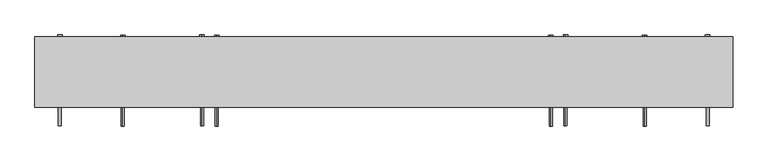
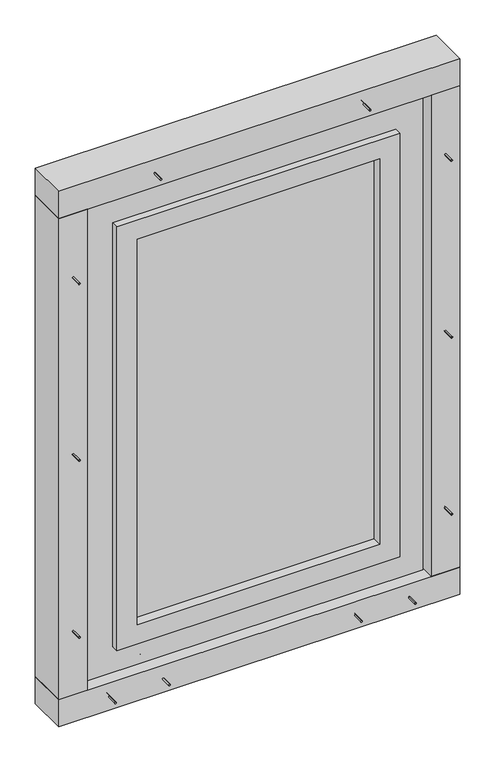
"""IFC4 building model written with IfcOpenShell, lengths in millimetres: proxy geometry."""

from ifc_helpers import new_model, si_unit, point, frame, frame_2d, origin, origin_with_axes, place, context, project, spatial, polyline, circle_curve, trimmed, segment, composite_curve, outline, extrude, source, transform, mapped, element, save


def generic_models_50d40aec(model_context):
    return source(origin(), model_context, "Body", "SweptSolid", [
        extrude(outline(polyline([(-235.0, -25.0), (-235.0, -15.0), (485.0, -15.0), (485.0, -25.0), (-235.0, -25.0)])), frame((0.0, 0.0, 235.0), z_axis=(0.0, 0.0, 1.0), x_axis=(1.0, 0.0, 0.0)), (0.0, 0.0, 1.0), 1210.0),
        extrude(outline(polyline([(175.0, 545.0), (1505.0, 545.0), (1505.0, -295.0), (175.0, -295.0), (175.0, 545.0)]), holes=[polyline([(1445.0, 485.0), (235.0, 485.0), (235.0, -235.0), (1445.0, -235.0), (1445.0, 485.0)])]), frame((0.0, -55.0, 0.0), z_axis=(0.0, 1.0, 0.0), x_axis=(0.0, 0.0, 1.0)), (0.0, 0.0, 1.0), 70.0),
        extrude(outline(polyline([(95.0, 625.0), (1585.0, 625.0), (1585.0, -375.0), (95.0, -375.0), (95.0, 625.0)]), holes=[polyline([(1505.0, 545.0), (175.0, 545.0), (175.0, -295.0), (1505.0, -295.0), (1505.0, 545.0)])]), frame((0.0, -35.0, 0.0), z_axis=(0.0, 1.0, 0.0), x_axis=(0.0, 0.0, 1.0)), (0.0, 0.0, 1.0), 70.0),
        extrude(outline(composite_curve([segment(trimmed(circle_curve(frame_2d((-145.0, 0.0)), 2.4700592), [point((-145.0, -2.4700592))], [point((-145.0, 2.4700592))], False, "CARTESIAN"), True, "CONTINUOUS"), segment(trimmed(circle_curve(frame_2d((-145.0, 0.0)), 2.4700592), [point((-145.0, 2.4700592))], [point((-145.0, -2.4700592))], False, "CARTESIAN"), True, "CONTINUOUS")], self_intersect=False)), frame((0.0, 0.0, 25.0), z_axis=(0.0, 0.0, 1.0), x_axis=(1.0, 0.0, 0.0)), (0.0, 0.0, 1.0), 150.0),
        extrude(outline(composite_curve([segment(trimmed(circle_curve(frame_2d((-145.0, 0.0)), 3.8), [point((-145.0, -3.8))], [point((-145.0, 3.8))], False, "CARTESIAN"), True, "CONTINUOUS"), segment(trimmed(circle_curve(frame_2d((-145.0, 0.0)), 3.8), [point((-145.0, 3.8))], [point((-145.0, -3.8))], False, "CARTESIAN"), True, "CONTINUOUS")], self_intersect=False)), frame((0.0, 0.0, 175.0), z_axis=(0.0, 0.0, 1.0), x_axis=(1.0, 0.0, 0.0)), (0.0, 0.0, 1.0), 3.0),
        extrude(outline(composite_curve([segment(trimmed(circle_curve(frame_2d((42.5, -160.0)), 2.4700592), [point((44.9700592, -160.0))], [point((40.0299408, -160.0))], False, "CARTESIAN"), True, "CONTINUOUS"), segment(trimmed(circle_curve(frame_2d((42.5, -160.0)), 2.4700592), [point((40.0299408, -160.0))], [point((44.9700592, -160.0))], False, "CARTESIAN"), True, "CONTINUOUS")], self_intersect=False)), frame((0.0, -92.0, 0.0), z_axis=(0.0, 1.0, 0.0), x_axis=(0.0, 0.0, 1.0)), (0.0, 0.0, 1.0), 152.0),
        extrude(outline(composite_curve([segment(trimmed(circle_curve(frame_2d((42.5, -160.0)), 3.8), [point((46.3, -160.0))], [point((38.7, -160.0))], False, "CARTESIAN"), True, "CONTINUOUS"), segment(trimmed(circle_curve(frame_2d((42.5, -160.0)), 3.8), [point((38.7, -160.0))], [point((46.3, -160.0))], False, "CARTESIAN"), True, "CONTINUOUS")], self_intersect=False)), frame((0.0, 60.0, 0.0), z_axis=(0.0, 1.0, 0.0), x_axis=(0.0, 0.0, 1.0)), (0.0, 0.0, 1.0), 3.0),
        extrude(outline(composite_curve([segment(trimmed(circle_curve(frame_2d((-175.0, 0.0)), 2.4700592), [point((-175.0, -2.4700592))], [point((-175.0, 2.4700592))], False, "CARTESIAN"), True, "CONTINUOUS"), segment(trimmed(circle_curve(frame_2d((-175.0, 0.0)), 2.4700592), [point((-175.0, 2.4700592))], [point((-175.0, -2.4700592))], False, "CARTESIAN"), True, "CONTINUOUS")], self_intersect=False)), frame((0.0, 0.0, 25.0), z_axis=(0.0, 0.0, 1.0), x_axis=(1.0, 0.0, 0.0)), (0.0, 0.0, 1.0), 150.0),
        extrude(outline(composite_curve([segment(trimmed(circle_curve(frame_2d((-175.0, 0.0)), 3.8), [point((-175.0, -3.8))], [point((-175.0, 3.8))], False, "CARTESIAN"), True, "CONTINUOUS"), segment(trimmed(circle_curve(frame_2d((-175.0, 0.0)), 3.8), [point((-175.0, 3.8))], [point((-175.0, -3.8))], False, "CARTESIAN"), True, "CONTINUOUS")], self_intersect=False)), frame((0.0, 0.0, 175.0), z_axis=(0.0, 0.0, 1.0), x_axis=(1.0, 0.0, 0.0)), (0.0, 0.0, 1.0), 3.0),
        extrude(outline(composite_curve([segment(trimmed(circle_curve(frame_2d((395.0, 0.0)), 2.4700592), [point((395.0, -2.4700592))], [point((395.0, 2.4700592))], False, "CARTESIAN"), True, "CONTINUOUS"), segment(trimmed(circle_curve(frame_2d((395.0, 0.0)), 2.4700592), [point((395.0, 2.4700592))], [point((395.0, -2.4700592))], False, "CARTESIAN"), True, "CONTINUOUS")], self_intersect=False)), frame((0.0, 0.0, 25.0), z_axis=(0.0, 0.0, 1.0), x_axis=(1.0, 0.0, 0.0)), (0.0, 0.0, 1.0), 150.0),
        extrude(outline(composite_curve([segment(trimmed(circle_curve(frame_2d((395.0, 0.0)), 3.8), [point((395.0, -3.8))], [point((395.0, 3.8))], False, "CARTESIAN"), True, "CONTINUOUS"), segment(trimmed(circle_curve(frame_2d((395.0, 0.0)), 3.8), [point((395.0, 3.8))], [point((395.0, -3.8))], False, "CARTESIAN"), True, "CONTINUOUS")], self_intersect=False)), frame((0.0, 0.0, 175.0), z_axis=(0.0, 0.0, 1.0), x_axis=(1.0, 0.0, 0.0)), (0.0, 0.0, 1.0), 3.0),
        extrude(outline(composite_curve([segment(trimmed(circle_curve(frame_2d((42.5, 410.0)), 2.4700592), [point((44.9700592, 410.0))], [point((40.0299408, 410.0))], False, "CARTESIAN"), True, "CONTINUOUS"), segment(trimmed(circle_curve(frame_2d((42.5, 410.0)), 2.4700592), [point((40.0299408, 410.0))], [point((44.9700592, 410.0))], False, "CARTESIAN"), True, "CONTINUOUS")], self_intersect=False)), frame((0.0, -92.0, 0.0), z_axis=(0.0, 1.0, 0.0), x_axis=(0.0, 0.0, 1.0)), (0.0, 0.0, 1.0), 152.0),
        extrude(outline(composite_curve([segment(trimmed(circle_curve(frame_2d((42.5, 410.0)), 3.8), [point((46.3, 410.0))], [point((38.7, 410.0))], False, "CARTESIAN"), True, "CONTINUOUS"), segment(trimmed(circle_curve(frame_2d((42.5, 410.0)), 3.8), [point((38.7, 410.0))], [point((46.3, 410.0))], False, "CARTESIAN"), True, "CONTINUOUS")], self_intersect=False)), frame((0.0, 60.0, 0.0), z_axis=(0.0, 1.0, 0.0), x_axis=(0.0, 0.0, 1.0)), (0.0, 0.0, 1.0), 3.0),
        extrude(outline(composite_curve([segment(trimmed(circle_curve(frame_2d((425.0, 0.0)), 2.4700592), [point((425.0, -2.4700592))], [point((425.0, 2.4700592))], False, "CARTESIAN"), True, "CONTINUOUS"), segment(trimmed(circle_curve(frame_2d((425.0, 0.0)), 2.4700592), [point((425.0, 2.4700592))], [point((425.0, -2.4700592))], False, "CARTESIAN"), True, "CONTINUOUS")], self_intersect=False)), frame((0.0, 0.0, 25.0), z_axis=(0.0, 0.0, 1.0), x_axis=(1.0, 0.0, 0.0)), (0.0, 0.0, 1.0), 150.0),
        extrude(outline(composite_curve([segment(trimmed(circle_curve(frame_2d((425.0, 0.0)), 3.8), [point((425.0, -3.8))], [point((425.0, 3.8))], False, "CARTESIAN"), True, "CONTINUOUS"), segment(trimmed(circle_curve(frame_2d((425.0, 0.0)), 3.8), [point((425.0, 3.8))], [point((425.0, -3.8))], False, "CARTESIAN"), True, "CONTINUOUS")], self_intersect=False)), frame((0.0, 0.0, 175.0), z_axis=(0.0, 0.0, 1.0), x_axis=(1.0, 0.0, 0.0)), (0.0, 0.0, 1.0), 3.0),
        extrude(outline(composite_curve([segment(trimmed(circle_curve(frame_2d((42.5, -320.0)), 2.4700592), [point((44.9700592, -320.0))], [point((40.0299408, -320.0))], False, "CARTESIAN"), True, "CONTINUOUS"), segment(trimmed(circle_curve(frame_2d((42.5, -320.0)), 2.4700592), [point((40.0299408, -320.0))], [point((44.9700592, -320.0))], False, "CARTESIAN"), True, "CONTINUOUS")], self_intersect=False)), frame((0.0, -92.0, 0.0), z_axis=(0.0, 1.0, 0.0), x_axis=(0.0, 0.0, 1.0)), (0.0, 0.0, 1.0), 152.0),
        extrude(outline(composite_curve([segment(trimmed(circle_curve(frame_2d((42.5, -320.0)), 3.8), [point((46.3, -320.0))], [point((38.7, -320.0))], False, "CARTESIAN"), True, "CONTINUOUS"), segment(trimmed(circle_curve(frame_2d((42.5, -320.0)), 3.8), [point((38.7, -320.0))], [point((46.3, -320.0))], False, "CARTESIAN"), True, "CONTINUOUS")], self_intersect=False)), frame((0.0, 60.0, 0.0), z_axis=(0.0, 1.0, 0.0), x_axis=(0.0, 0.0, 1.0)), (0.0, 0.0, 1.0), 3.0),
        extrude(outline(composite_curve([segment(trimmed(circle_curve(frame_2d((42.5, 570.0)), 2.4700592), [point((44.9700592, 570.0))], [point((40.0299408, 570.0))], False, "CARTESIAN"), True, "CONTINUOUS"), segment(trimmed(circle_curve(frame_2d((42.5, 570.0)), 2.4700592), [point((40.0299408, 570.0))], [point((44.9700592, 570.0))], False, "CARTESIAN"), True, "CONTINUOUS")], self_intersect=False)), frame((0.0, -92.0, 0.0), z_axis=(0.0, 1.0, 0.0), x_axis=(0.0, 0.0, 1.0)), (0.0, 0.0, 1.0), 152.0),
        extrude(outline(composite_curve([segment(trimmed(circle_curve(frame_2d((42.5, 570.0)), 3.8), [point((46.3, 570.0))], [point((38.7, 570.0))], False, "CARTESIAN"), True, "CONTINUOUS"), segment(trimmed(circle_curve(frame_2d((42.5, 570.0)), 3.8), [point((38.7, 570.0))], [point((46.3, 570.0))], False, "CARTESIAN"), True, "CONTINUOUS")], self_intersect=False)), frame((0.0, 60.0, 0.0), z_axis=(0.0, 1.0, 0.0), x_axis=(0.0, 0.0, 1.0)), (0.0, 0.0, 1.0), 3.0),
        extrude(outline(polyline([(720.0, -60.0), (-470.0, -60.0), (-470.0, 60.0), (720.0, 60.0), (720.0, -60.0)])), origin_with_axes(), (0.0, 0.0, 1.0), 85.0),
        extrude(outline(composite_curve([segment(trimmed(circle_curve(frame_2d((0.0, 825.0)), 2.4700592), [point((-2.4700592, 825.0))], [point((2.4700592, 825.0))], False, "CARTESIAN"), True, "CONTINUOUS"), segment(trimmed(circle_curve(frame_2d((0.0, 825.0)), 2.4700592), [point((2.4700592, 825.0))], [point((-2.4700592, 825.0))], False, "CARTESIAN"), True, "CONTINUOUS")], self_intersect=False)), frame((-445.0, 0.0, 0.0), z_axis=(1.0, 0.0, 0.0), x_axis=(0.0, 1.0, 0.0)), (0.0, 0.0, 1.0), 150.0),
        extrude(outline(composite_curve([segment(trimmed(circle_curve(frame_2d((0.0, 825.0)), 3.8), [point((-3.8, 825.0))], [point((3.8, 825.0))], False, "CARTESIAN"), True, "CONTINUOUS"), segment(trimmed(circle_curve(frame_2d((0.0, 825.0)), 3.8), [point((3.8, 825.0))], [point((-3.8, 825.0))], False, "CARTESIAN"), True, "CONTINUOUS")], self_intersect=False)), frame((-295.0, 0.0, 0.0), z_axis=(1.0, 0.0, 0.0), x_axis=(0.0, 1.0, 0.0)), (0.0, 0.0, 1.0), 3.0),
        extrude(outline(composite_curve([segment(trimmed(circle_curve(frame_2d((0.0, 1355.0)), 2.4700592), [point((-2.4700592, 1355.0))], [point((2.4700592, 1355.0))], False, "CARTESIAN"), True, "CONTINUOUS"), segment(trimmed(circle_curve(frame_2d((0.0, 1355.0)), 2.4700592), [point((2.4700592, 1355.0))], [point((-2.4700592, 1355.0))], False, "CARTESIAN"), True, "CONTINUOUS")], self_intersect=False)), frame((-445.0, 0.0, 0.0), z_axis=(1.0, 0.0, 0.0), x_axis=(0.0, 1.0, 0.0)), (0.0, 0.0, 1.0), 150.0),
        extrude(outline(composite_curve([segment(trimmed(circle_curve(frame_2d((0.0, 1355.0)), 3.8), [point((-3.8, 1355.0))], [point((3.8, 1355.0))], False, "CARTESIAN"), True, "CONTINUOUS"), segment(trimmed(circle_curve(frame_2d((0.0, 1355.0)), 3.8), [point((3.8, 1355.0))], [point((-3.8, 1355.0))], False, "CARTESIAN"), True, "CONTINUOUS")], self_intersect=False)), frame((-295.0, 0.0, 0.0), z_axis=(1.0, 0.0, 0.0), x_axis=(0.0, 1.0, 0.0)), (0.0, 0.0, 1.0), 3.0),
        extrude(outline(composite_curve([segment(trimmed(circle_curve(frame_2d((840.0, -427.5)), 2.4700592), [point((840.0, -429.9700592))], [point((840.0, -425.0299408))], False, "CARTESIAN"), True, "CONTINUOUS"), segment(trimmed(circle_curve(frame_2d((840.0, -427.5)), 2.4700592), [point((840.0, -425.0299408))], [point((840.0, -429.9700592))], False, "CARTESIAN"), True, "CONTINUOUS")], self_intersect=False)), frame((0.0, -92.0, 0.0), z_axis=(0.0, 1.0, 0.0), x_axis=(0.0, 0.0, 1.0)), (0.0, 0.0, 1.0), 152.0),
        extrude(outline(composite_curve([segment(trimmed(circle_curve(frame_2d((840.0, -427.5)), 3.8), [point((840.0, -431.3))], [point((840.0, -423.7))], False, "CARTESIAN"), True, "CONTINUOUS"), segment(trimmed(circle_curve(frame_2d((840.0, -427.5)), 3.8), [point((840.0, -423.7))], [point((840.0, -431.3))], False, "CARTESIAN"), True, "CONTINUOUS")], self_intersect=False)), frame((0.0, 60.0, 0.0), z_axis=(0.0, 1.0, 0.0), x_axis=(0.0, 0.0, 1.0)), (0.0, 0.0, 1.0), 3.0),
        extrude(outline(composite_curve([segment(trimmed(circle_curve(frame_2d((0.0, 325.0)), 2.4700592), [point((-2.4700592, 325.0))], [point((2.4700592, 325.0))], False, "CARTESIAN"), True, "CONTINUOUS"), segment(trimmed(circle_curve(frame_2d((0.0, 325.0)), 2.4700592), [point((2.4700592, 325.0))], [point((-2.4700592, 325.0))], False, "CARTESIAN"), True, "CONTINUOUS")], self_intersect=False)), frame((-445.0, 0.0, 0.0), z_axis=(1.0, 0.0, 0.0), x_axis=(0.0, 1.0, 0.0)), (0.0, 0.0, 1.0), 150.0),
        extrude(outline(composite_curve([segment(trimmed(circle_curve(frame_2d((0.0, 325.0)), 3.8), [point((-3.8, 325.0))], [point((3.8, 325.0))], False, "CARTESIAN"), True, "CONTINUOUS"), segment(trimmed(circle_curve(frame_2d((0.0, 325.0)), 3.8), [point((3.8, 325.0))], [point((-3.8, 325.0))], False, "CARTESIAN"), True, "CONTINUOUS")], self_intersect=False)), frame((-295.0, 0.0, 0.0), z_axis=(1.0, 0.0, 0.0), x_axis=(0.0, 1.0, 0.0)), (0.0, 0.0, 1.0), 3.0),
        extrude(outline(composite_curve([segment(trimmed(circle_curve(frame_2d((0.0, 295.0)), 2.4700592), [point((-2.4700592, 295.0))], [point((2.4700592, 295.0))], False, "CARTESIAN"), True, "CONTINUOUS"), segment(trimmed(circle_curve(frame_2d((0.0, 295.0)), 2.4700592), [point((2.4700592, 295.0))], [point((-2.4700592, 295.0))], False, "CARTESIAN"), True, "CONTINUOUS")], self_intersect=False)), frame((-445.0, 0.0, 0.0), z_axis=(1.0, 0.0, 0.0), x_axis=(0.0, 1.0, 0.0)), (0.0, 0.0, 1.0), 150.0),
        extrude(outline(composite_curve([segment(trimmed(circle_curve(frame_2d((0.0, 295.0)), 3.8), [point((-3.8, 295.0))], [point((3.8, 295.0))], False, "CARTESIAN"), True, "CONTINUOUS"), segment(trimmed(circle_curve(frame_2d((0.0, 295.0)), 3.8), [point((3.8, 295.0))], [point((-3.8, 295.0))], False, "CARTESIAN"), True, "CONTINUOUS")], self_intersect=False)), frame((-295.0, 0.0, 0.0), z_axis=(1.0, 0.0, 0.0), x_axis=(0.0, 1.0, 0.0)), (0.0, 0.0, 1.0), 3.0),
        extrude(outline(composite_curve([segment(trimmed(circle_curve(frame_2d((0.0, 1385.0)), 2.4700592), [point((-2.4700592, 1385.0))], [point((2.4700592, 1385.0))], False, "CARTESIAN"), True, "CONTINUOUS"), segment(trimmed(circle_curve(frame_2d((0.0, 1385.0)), 2.4700592), [point((2.4700592, 1385.0))], [point((-2.4700592, 1385.0))], False, "CARTESIAN"), True, "CONTINUOUS")], self_intersect=False)), frame((-445.0, 0.0, 0.0), z_axis=(1.0, 0.0, 0.0), x_axis=(0.0, 1.0, 0.0)), (0.0, 0.0, 1.0), 150.0),
        extrude(outline(composite_curve([segment(trimmed(circle_curve(frame_2d((0.0, 1385.0)), 3.8), [point((-3.8, 1385.0))], [point((3.8, 1385.0))], False, "CARTESIAN"), True, "CONTINUOUS"), segment(trimmed(circle_curve(frame_2d((0.0, 1385.0)), 3.8), [point((3.8, 1385.0))], [point((-3.8, 1385.0))], False, "CARTESIAN"), True, "CONTINUOUS")], self_intersect=False)), frame((-295.0, 0.0, 0.0), z_axis=(1.0, 0.0, 0.0), x_axis=(0.0, 1.0, 0.0)), (0.0, 0.0, 1.0), 3.0),
        extrude(outline(composite_curve([segment(trimmed(circle_curve(frame_2d((0.0, 855.0)), 2.4700592), [point((-2.4700592, 855.0))], [point((2.4700592, 855.0))], False, "CARTESIAN"), True, "CONTINUOUS"), segment(trimmed(circle_curve(frame_2d((0.0, 855.0)), 2.4700592), [point((2.4700592, 855.0))], [point((-2.4700592, 855.0))], False, "CARTESIAN"), True, "CONTINUOUS")], self_intersect=False)), frame((-445.0, 0.0, 0.0), z_axis=(1.0, 0.0, 0.0), x_axis=(0.0, 1.0, 0.0)), (0.0, 0.0, 1.0), 150.0),
        extrude(outline(composite_curve([segment(trimmed(circle_curve(frame_2d((0.0, 855.0)), 3.8), [point((-3.8, 855.0))], [point((3.8, 855.0))], False, "CARTESIAN"), True, "CONTINUOUS"), segment(trimmed(circle_curve(frame_2d((0.0, 855.0)), 3.8), [point((3.8, 855.0))], [point((-3.8, 855.0))], False, "CARTESIAN"), True, "CONTINUOUS")], self_intersect=False)), frame((-295.0, 0.0, 0.0), z_axis=(1.0, 0.0, 0.0), x_axis=(0.0, 1.0, 0.0)), (0.0, 0.0, 1.0), 3.0),
        extrude(outline(composite_curve([segment(trimmed(circle_curve(frame_2d((1395.0, -427.5)), 2.4700592), [point((1395.0, -429.9700592))], [point((1395.0, -425.0299408))], False, "CARTESIAN"), True, "CONTINUOUS"), segment(trimmed(circle_curve(frame_2d((1395.0, -427.5)), 2.4700592), [point((1395.0, -425.0299408))], [point((1395.0, -429.9700592))], False, "CARTESIAN"), True, "CONTINUOUS")], self_intersect=False)), frame((0.0, -92.0, 0.0), z_axis=(0.0, 1.0, 0.0), x_axis=(0.0, 0.0, 1.0)), (0.0, 0.0, 1.0), 152.0),
        extrude(outline(composite_curve([segment(trimmed(circle_curve(frame_2d((1395.0, -427.5)), 3.8), [point((1395.0, -431.3))], [point((1395.0, -423.7))], False, "CARTESIAN"), True, "CONTINUOUS"), segment(trimmed(circle_curve(frame_2d((1395.0, -427.5)), 3.8), [point((1395.0, -423.7))], [point((1395.0, -431.3))], False, "CARTESIAN"), True, "CONTINUOUS")], self_intersect=False)), frame((0.0, 60.0, 0.0), z_axis=(0.0, 1.0, 0.0), x_axis=(0.0, 0.0, 1.0)), (0.0, 0.0, 1.0), 3.0),
        extrude(outline(composite_curve([segment(trimmed(circle_curve(frame_2d((285.0, -427.5)), 2.4700592), [point((285.0, -429.9700592))], [point((285.0, -425.0299408))], False, "CARTESIAN"), True, "CONTINUOUS"), segment(trimmed(circle_curve(frame_2d((285.0, -427.5)), 2.4700592), [point((285.0, -425.0299408))], [point((285.0, -429.9700592))], False, "CARTESIAN"), True, "CONTINUOUS")], self_intersect=False)), frame((0.0, -92.0, 0.0), z_axis=(0.0, 1.0, 0.0), x_axis=(0.0, 0.0, 1.0)), (0.0, 0.0, 1.0), 152.0),
        extrude(outline(composite_curve([segment(trimmed(circle_curve(frame_2d((285.0, -427.5)), 3.8), [point((285.0, -431.3))], [point((285.0, -423.7))], False, "CARTESIAN"), True, "CONTINUOUS"), segment(trimmed(circle_curve(frame_2d((285.0, -427.5)), 3.8), [point((285.0, -423.7))], [point((285.0, -431.3))], False, "CARTESIAN"), True, "CONTINUOUS")], self_intersect=False)), frame((0.0, 60.0, 0.0), z_axis=(0.0, 1.0, 0.0), x_axis=(0.0, 0.0, 1.0)), (0.0, 0.0, 1.0), 3.0),
        extrude(outline(polyline([(-470.0, -60.0), (-470.0, 60.0), (-385.0, 60.0), (-385.0, -60.0), (-470.0, -60.0)])), frame((0.0, 0.0, 85.0), z_axis=(0.0, 0.0, 1.0), x_axis=(1.0, 0.0, 0.0)), (0.0, 0.0, 1.0), 1510.0),
        extrude(outline(composite_curve([segment(trimmed(circle_curve(frame_2d((0.0, 825.0)), 2.4700592), [point((-2.4700592, 825.0))], [point((2.4700592, 825.0))], False, "CARTESIAN"), True, "CONTINUOUS"), segment(trimmed(circle_curve(frame_2d((0.0, 825.0)), 2.4700592), [point((2.4700592, 825.0))], [point((-2.4700592, 825.0))], False, "CARTESIAN"), True, "CONTINUOUS")], self_intersect=False)), frame((545.0, 0.0, 0.0), z_axis=(1.0, 0.0, 0.0), x_axis=(0.0, 1.0, 0.0)), (0.0, 0.0, 1.0), 150.0),
        extrude(outline(composite_curve([segment(trimmed(circle_curve(frame_2d((0.0, 825.0)), 3.8), [point((-3.8, 825.0))], [point((3.8, 825.0))], False, "CARTESIAN"), True, "CONTINUOUS"), segment(trimmed(circle_curve(frame_2d((0.0, 825.0)), 3.8), [point((3.8, 825.0))], [point((-3.8, 825.0))], False, "CARTESIAN"), True, "CONTINUOUS")], self_intersect=False)), frame((542.0, 0.0, 0.0), z_axis=(1.0, 0.0, 0.0), x_axis=(0.0, 1.0, 0.0)), (0.0, 0.0, 1.0), 3.0),
        extrude(outline(composite_curve([segment(trimmed(circle_curve(frame_2d((0.0, 1355.0)), 2.4700592), [point((-2.4700592, 1355.0))], [point((2.4700592, 1355.0))], False, "CARTESIAN"), True, "CONTINUOUS"), segment(trimmed(circle_curve(frame_2d((0.0, 1355.0)), 2.4700592), [point((2.4700592, 1355.0))], [point((-2.4700592, 1355.0))], False, "CARTESIAN"), True, "CONTINUOUS")], self_intersect=False)), frame((545.0, 0.0, 0.0), z_axis=(1.0, 0.0, 0.0), x_axis=(0.0, 1.0, 0.0)), (0.0, 0.0, 1.0), 150.0),
        extrude(outline(composite_curve([segment(trimmed(circle_curve(frame_2d((0.0, 1355.0)), 3.8), [point((-3.8, 1355.0))], [point((3.8, 1355.0))], False, "CARTESIAN"), True, "CONTINUOUS"), segment(trimmed(circle_curve(frame_2d((0.0, 1355.0)), 3.8), [point((3.8, 1355.0))], [point((-3.8, 1355.0))], False, "CARTESIAN"), True, "CONTINUOUS")], self_intersect=False)), frame((542.0, 0.0, 0.0), z_axis=(1.0, 0.0, 0.0), x_axis=(0.0, 1.0, 0.0)), (0.0, 0.0, 1.0), 3.0),
        extrude(outline(composite_curve([segment(trimmed(circle_curve(frame_2d((840.0, 677.5)), 2.4700592), [point((840.0, 679.9700592))], [point((840.0, 675.0299408))], False, "CARTESIAN"), True, "CONTINUOUS"), segment(trimmed(circle_curve(frame_2d((840.0, 677.5)), 2.4700592), [point((840.0, 675.0299408))], [point((840.0, 679.9700592))], False, "CARTESIAN"), True, "CONTINUOUS")], self_intersect=False)), frame((0.0, -92.0, 0.0), z_axis=(0.0, 1.0, 0.0), x_axis=(0.0, 0.0, 1.0)), (0.0, 0.0, 1.0), 152.0),
        extrude(outline(composite_curve([segment(trimmed(circle_curve(frame_2d((840.0, 677.5)), 3.8), [point((840.0, 681.3))], [point((840.0, 673.7))], False, "CARTESIAN"), True, "CONTINUOUS"), segment(trimmed(circle_curve(frame_2d((840.0, 677.5)), 3.8), [point((840.0, 673.7))], [point((840.0, 681.3))], False, "CARTESIAN"), True, "CONTINUOUS")], self_intersect=False)), frame((0.0, 60.0, 0.0), z_axis=(0.0, 1.0, 0.0), x_axis=(0.0, 0.0, 1.0)), (0.0, 0.0, 1.0), 3.0),
        extrude(outline(composite_curve([segment(trimmed(circle_curve(frame_2d((0.0, 325.0)), 2.4700592), [point((-2.4700592, 325.0))], [point((2.4700592, 325.0))], False, "CARTESIAN"), True, "CONTINUOUS"), segment(trimmed(circle_curve(frame_2d((0.0, 325.0)), 2.4700592), [point((2.4700592, 325.0))], [point((-2.4700592, 325.0))], False, "CARTESIAN"), True, "CONTINUOUS")], self_intersect=False)), frame((545.0, 0.0, 0.0), z_axis=(1.0, 0.0, 0.0), x_axis=(0.0, 1.0, 0.0)), (0.0, 0.0, 1.0), 150.0),
        extrude(outline(composite_curve([segment(trimmed(circle_curve(frame_2d((0.0, 325.0)), 3.8), [point((-3.8, 325.0))], [point((3.8, 325.0))], False, "CARTESIAN"), True, "CONTINUOUS"), segment(trimmed(circle_curve(frame_2d((0.0, 325.0)), 3.8), [point((3.8, 325.0))], [point((-3.8, 325.0))], False, "CARTESIAN"), True, "CONTINUOUS")], self_intersect=False)), frame((542.0, 0.0, 0.0), z_axis=(1.0, 0.0, 0.0), x_axis=(0.0, 1.0, 0.0)), (0.0, 0.0, 1.0), 3.0),
        extrude(outline(composite_curve([segment(trimmed(circle_curve(frame_2d((0.0, 295.0)), 2.4700592), [point((-2.4700592, 295.0))], [point((2.4700592, 295.0))], False, "CARTESIAN"), True, "CONTINUOUS"), segment(trimmed(circle_curve(frame_2d((0.0, 295.0)), 2.4700592), [point((2.4700592, 295.0))], [point((-2.4700592, 295.0))], False, "CARTESIAN"), True, "CONTINUOUS")], self_intersect=False)), frame((545.0, 0.0, 0.0), z_axis=(1.0, 0.0, 0.0), x_axis=(0.0, 1.0, 0.0)), (0.0, 0.0, 1.0), 150.0),
        extrude(outline(composite_curve([segment(trimmed(circle_curve(frame_2d((0.0, 295.0)), 3.8), [point((-3.8, 295.0))], [point((3.8, 295.0))], False, "CARTESIAN"), True, "CONTINUOUS"), segment(trimmed(circle_curve(frame_2d((0.0, 295.0)), 3.8), [point((3.8, 295.0))], [point((-3.8, 295.0))], False, "CARTESIAN"), True, "CONTINUOUS")], self_intersect=False)), frame((542.0, 0.0, 0.0), z_axis=(1.0, 0.0, 0.0), x_axis=(0.0, 1.0, 0.0)), (0.0, 0.0, 1.0), 3.0),
        extrude(outline(composite_curve([segment(trimmed(circle_curve(frame_2d((0.0, 1385.0)), 2.4700592), [point((-2.4700592, 1385.0))], [point((2.4700592, 1385.0))], False, "CARTESIAN"), True, "CONTINUOUS"), segment(trimmed(circle_curve(frame_2d((0.0, 1385.0)), 2.4700592), [point((2.4700592, 1385.0))], [point((-2.4700592, 1385.0))], False, "CARTESIAN"), True, "CONTINUOUS")], self_intersect=False)), frame((545.0, 0.0, 0.0), z_axis=(1.0, 0.0, 0.0), x_axis=(0.0, 1.0, 0.0)), (0.0, 0.0, 1.0), 150.0),
        extrude(outline(composite_curve([segment(trimmed(circle_curve(frame_2d((0.0, 1385.0)), 3.8), [point((-3.8, 1385.0))], [point((3.8, 1385.0))], False, "CARTESIAN"), True, "CONTINUOUS"), segment(trimmed(circle_curve(frame_2d((0.0, 1385.0)), 3.8), [point((3.8, 1385.0))], [point((-3.8, 1385.0))], False, "CARTESIAN"), True, "CONTINUOUS")], self_intersect=False)), frame((542.0, 0.0, 0.0), z_axis=(1.0, 0.0, 0.0), x_axis=(0.0, 1.0, 0.0)), (0.0, 0.0, 1.0), 3.0),
        extrude(outline(composite_curve([segment(trimmed(circle_curve(frame_2d((0.0, 855.0)), 2.4700592), [point((-2.4700592, 855.0))], [point((2.4700592, 855.0))], False, "CARTESIAN"), True, "CONTINUOUS"), segment(trimmed(circle_curve(frame_2d((0.0, 855.0)), 2.4700592), [point((2.4700592, 855.0))], [point((-2.4700592, 855.0))], False, "CARTESIAN"), True, "CONTINUOUS")], self_intersect=False)), frame((545.0, 0.0, 0.0), z_axis=(1.0, 0.0, 0.0), x_axis=(0.0, 1.0, 0.0)), (0.0, 0.0, 1.0), 150.0),
        extrude(outline(composite_curve([segment(trimmed(circle_curve(frame_2d((0.0, 855.0)), 3.8), [point((-3.8, 855.0))], [point((3.8, 855.0))], False, "CARTESIAN"), True, "CONTINUOUS"), segment(trimmed(circle_curve(frame_2d((0.0, 855.0)), 3.8), [point((3.8, 855.0))], [point((-3.8, 855.0))], False, "CARTESIAN"), True, "CONTINUOUS")], self_intersect=False)), frame((542.0, 0.0, 0.0), z_axis=(1.0, 0.0, 0.0), x_axis=(0.0, 1.0, 0.0)), (0.0, 0.0, 1.0), 3.0),
        extrude(outline(composite_curve([segment(trimmed(circle_curve(frame_2d((1395.0, 677.5)), 2.4700592), [point((1395.0, 679.9700592))], [point((1395.0, 675.0299408))], False, "CARTESIAN"), True, "CONTINUOUS"), segment(trimmed(circle_curve(frame_2d((1395.0, 677.5)), 2.4700592), [point((1395.0, 675.0299408))], [point((1395.0, 679.9700592))], False, "CARTESIAN"), True, "CONTINUOUS")], self_intersect=False)), frame((0.0, -92.0, 0.0), z_axis=(0.0, 1.0, 0.0), x_axis=(0.0, 0.0, 1.0)), (0.0, 0.0, 1.0), 152.0),
        extrude(outline(composite_curve([segment(trimmed(circle_curve(frame_2d((1395.0, 677.5)), 3.8), [point((1395.0, 681.3))], [point((1395.0, 673.7))], False, "CARTESIAN"), True, "CONTINUOUS"), segment(trimmed(circle_curve(frame_2d((1395.0, 677.5)), 3.8), [point((1395.0, 673.7))], [point((1395.0, 681.3))], False, "CARTESIAN"), True, "CONTINUOUS")], self_intersect=False)), frame((0.0, 60.0, 0.0), z_axis=(0.0, 1.0, 0.0), x_axis=(0.0, 0.0, 1.0)), (0.0, 0.0, 1.0), 3.0),
        extrude(outline(composite_curve([segment(trimmed(circle_curve(frame_2d((285.0, 677.5)), 2.4700592), [point((285.0, 679.9700592))], [point((285.0, 675.0299408))], False, "CARTESIAN"), True, "CONTINUOUS"), segment(trimmed(circle_curve(frame_2d((285.0, 677.5)), 2.4700592), [point((285.0, 675.0299408))], [point((285.0, 679.9700592))], False, "CARTESIAN"), True, "CONTINUOUS")], self_intersect=False)), frame((0.0, -92.0, 0.0), z_axis=(0.0, 1.0, 0.0), x_axis=(0.0, 0.0, 1.0)), (0.0, 0.0, 1.0), 152.0),
        extrude(outline(composite_curve([segment(trimmed(circle_curve(frame_2d((285.0, 677.5)), 3.8), [point((285.0, 681.3))], [point((285.0, 673.7))], False, "CARTESIAN"), True, "CONTINUOUS"), segment(trimmed(circle_curve(frame_2d((285.0, 677.5)), 3.8), [point((285.0, 673.7))], [point((285.0, 681.3))], False, "CARTESIAN"), True, "CONTINUOUS")], self_intersect=False)), frame((0.0, 60.0, 0.0), z_axis=(0.0, 1.0, 0.0), x_axis=(0.0, 0.0, 1.0)), (0.0, 0.0, 1.0), 3.0),
        extrude(outline(polyline([(720.0, -60.0), (635.0, -60.0), (635.0, 60.0), (720.0, 60.0), (720.0, -60.0)])), frame((0.0, 0.0, 85.0), z_axis=(0.0, 0.0, 1.0), x_axis=(1.0, 0.0, 0.0)), (0.0, 0.0, 1.0), 1510.0),
        extrude(outline(composite_curve([segment(trimmed(circle_curve(frame_2d((-145.0, 0.0)), 2.4700592), [point((-145.0, -2.4700592))], [point((-145.0, 2.4700592))], False, "CARTESIAN"), True, "CONTINUOUS"), segment(trimmed(circle_curve(frame_2d((-145.0, 0.0)), 2.4700592), [point((-145.0, 2.4700592))], [point((-145.0, -2.4700592))], False, "CARTESIAN"), True, "CONTINUOUS")], self_intersect=False)), frame((0.0, 0.0, 1505.0), z_axis=(0.0, 0.0, 1.0), x_axis=(1.0, 0.0, 0.0)), (0.0, 0.0, 1.0), 150.0),
        extrude(outline(composite_curve([segment(trimmed(circle_curve(frame_2d((-145.0, 0.0)), 3.8), [point((-145.0, -3.8))], [point((-145.0, 3.8))], False, "CARTESIAN"), True, "CONTINUOUS"), segment(trimmed(circle_curve(frame_2d((-145.0, 0.0)), 3.8), [point((-145.0, 3.8))], [point((-145.0, -3.8))], False, "CARTESIAN"), True, "CONTINUOUS")], self_intersect=False)), frame((0.0, 0.0, 1502.0), z_axis=(0.0, 0.0, 1.0), x_axis=(1.0, 0.0, 0.0)), (0.0, 0.0, 1.0), 3.0),
        extrude(outline(composite_curve([segment(trimmed(circle_curve(frame_2d((395.0, 0.0)), 2.4700592), [point((395.0, -2.4700592))], [point((395.0, 2.4700592))], False, "CARTESIAN"), True, "CONTINUOUS"), segment(trimmed(circle_curve(frame_2d((395.0, 0.0)), 2.4700592), [point((395.0, 2.4700592))], [point((395.0, -2.4700592))], False, "CARTESIAN"), True, "CONTINUOUS")], self_intersect=False)), frame((0.0, 0.0, 1505.0), z_axis=(0.0, 0.0, 1.0), x_axis=(1.0, 0.0, 0.0)), (0.0, 0.0, 1.0), 150.0),
        extrude(outline(composite_curve([segment(trimmed(circle_curve(frame_2d((395.0, 0.0)), 3.8), [point((395.0, -3.8))], [point((395.0, 3.8))], False, "CARTESIAN"), True, "CONTINUOUS"), segment(trimmed(circle_curve(frame_2d((395.0, 0.0)), 3.8), [point((395.0, 3.8))], [point((395.0, -3.8))], False, "CARTESIAN"), True, "CONTINUOUS")], self_intersect=False)), frame((0.0, 0.0, 1502.0), z_axis=(0.0, 0.0, 1.0), x_axis=(1.0, 0.0, 0.0)), (0.0, 0.0, 1.0), 3.0),
        extrude(outline(composite_curve([segment(trimmed(circle_curve(frame_2d((1637.5, -185.0)), 2.4700592), [point((1639.9700592, -185.0))], [point((1635.0299408, -185.0))], False, "CARTESIAN"), True, "CONTINUOUS"), segment(trimmed(circle_curve(frame_2d((1637.5, -185.0)), 2.4700592), [point((1635.0299408, -185.0))], [point((1639.9700592, -185.0))], False, "CARTESIAN"), True, "CONTINUOUS")], self_intersect=False)), frame((0.0, -92.0, 0.0), z_axis=(0.0, 1.0, 0.0), x_axis=(0.0, 0.0, 1.0)), (0.0, 0.0, 1.0), 152.0),
        extrude(outline(composite_curve([segment(trimmed(circle_curve(frame_2d((1637.5, -185.0)), 3.8), [point((1641.3, -185.0))], [point((1633.7, -185.0))], False, "CARTESIAN"), True, "CONTINUOUS"), segment(trimmed(circle_curve(frame_2d((1637.5, -185.0)), 3.8), [point((1633.7, -185.0))], [point((1641.3, -185.0))], False, "CARTESIAN"), True, "CONTINUOUS")], self_intersect=False)), frame((0.0, 60.0, 0.0), z_axis=(0.0, 1.0, 0.0), x_axis=(0.0, 0.0, 1.0)), (0.0, 0.0, 1.0), 3.0),
        extrude(outline(composite_curve([segment(trimmed(circle_curve(frame_2d((1637.5, 435.0)), 2.4700592), [point((1639.9700592, 435.0))], [point((1635.0299408, 435.0))], False, "CARTESIAN"), True, "CONTINUOUS"), segment(trimmed(circle_curve(frame_2d((1637.5, 435.0)), 2.4700592), [point((1635.0299408, 435.0))], [point((1639.9700592, 435.0))], False, "CARTESIAN"), True, "CONTINUOUS")], self_intersect=False)), frame((0.0, -92.0, 0.0), z_axis=(0.0, 1.0, 0.0), x_axis=(0.0, 0.0, 1.0)), (0.0, 0.0, 1.0), 152.0),
        extrude(outline(composite_curve([segment(trimmed(circle_curve(frame_2d((1637.5, 435.0)), 3.8), [point((1641.3, 435.0))], [point((1633.7, 435.0))], False, "CARTESIAN"), True, "CONTINUOUS"), segment(trimmed(circle_curve(frame_2d((1637.5, 435.0)), 3.8), [point((1633.7, 435.0))], [point((1641.3, 435.0))], False, "CARTESIAN"), True, "CONTINUOUS")], self_intersect=False)), frame((0.0, 60.0, 0.0), z_axis=(0.0, 1.0, 0.0), x_axis=(0.0, 0.0, 1.0)), (0.0, 0.0, 1.0), 3.0),
        extrude(outline(polyline([(720.0, -60.0), (-470.0, -60.0), (-470.0, 60.0), (720.0, 60.0), (720.0, -60.0)])), frame((0.0, 0.0, 1595.0), z_axis=(0.0, 0.0, 1.0), x_axis=(1.0, 0.0, 0.0)), (0.0, 0.0, 1.0), 85.0),
    ])


if __name__ == "__main__":
    model = new_model("IFC4")
    model_context = context("Model", 3, world=origin())
    ifc_project = project(units=[si_unit("LENGTHUNIT", "METRE", prefix="MILLI")], contexts=[model_context])
    site = spatial("IfcSite", under=ifc_project)
    building = spatial("IfcBuilding", under=site)
    placement = place(None, origin())
    generic_models_shape = generic_models_50d40aec(model_context)
    element("IfcBuildingElementProxy", 1, Name="Generic Models", at=placement, inside=building, context=model_context, shape_type="MappedRepresentation", body=[
        mapped(generic_models_shape, transform((0.0, 0.0, 0.0), x_axis=(1.0, 0.0, 0.0), y_axis=(0.0, 1.0, 0.0), z_axis=(0.0, 0.0, 1.0))),
    ])
    save(model, "model.ifc")
